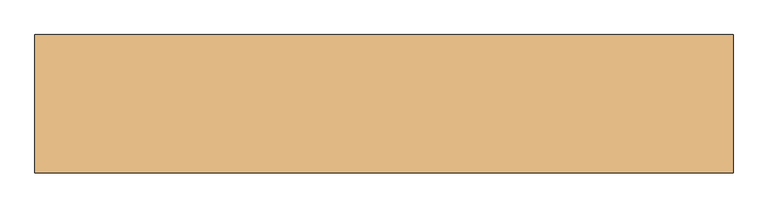
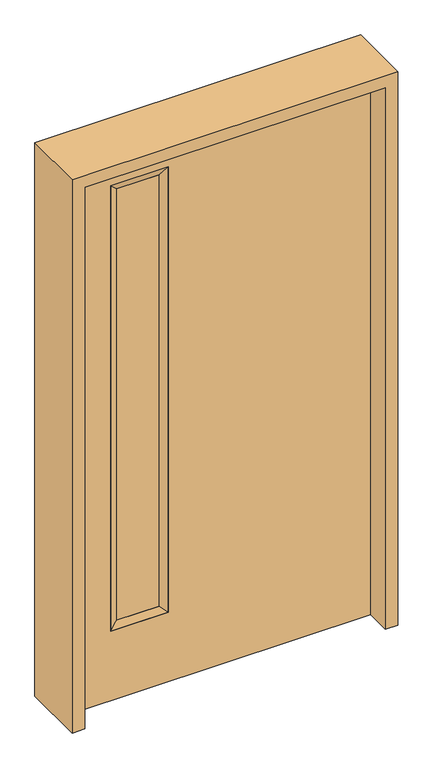
"""IFC4 building model written with IfcOpenShell, lengths in millimetres: door geometry."""

from ifc_helpers import new_model, si_unit, frame, origin, place, context, project, spatial, polyline, outline, extrude, faceted_brep, source, transform, mapped, element, save


def door_2749c83e(model_context):
    return source(origin(), model_context, "Body", "SolidModel", [
        faceted_brep([(-184.15, 22.225, 1930.4), (-184.15, -22.225, 1930.4), (-184.15, -22.225, 260.35), (-184.15, 22.225, 260.35), (-209.55, -12.7039749, 1905.0), (-209.55, -12.7039749, 285.75), (-387.35, -22.225, 260.35), (-387.35, 22.225, 260.35), (-209.55, 14.2875, 1905.0), (-209.55, 14.2875, 285.75), (-361.95, 14.2875, 285.75), (-361.95, -12.7039749, 285.75), (-387.35, -22.225, 1930.4), (-387.35, 22.225, 1930.4), (-361.95, 14.2875, 1905.0), (-361.95, -12.7039749, 1905.0)], [[[0, 1, 2, 3]], [[1, 4, 5, 2]], [[3, 2, 6, 7]], [[8, 0, 3, 9]], [[4, 8, 9, 5]], [[5, 9, 10, 11]], [[2, 5, 11, 6]], [[7, 6, 12, 13]], [[9, 3, 7, 10]], [[11, 10, 14, 15]], [[6, 11, 15, 12]], [[10, 7, 13, 14]], [[13, 12, 1, 0]], [[15, 14, 8, 4]], [[12, 15, 4, 1]], [[14, 13, 0, 8]]]),
        extrude(outline(polyline([(2032.0, -533.4), (0.0, -533.4), (0.0, 533.4), (2032.0, 533.4), (2032.0, -533.4)]), holes=[polyline([(1930.4, -184.15), (260.35, -184.15), (260.35, -387.35), (1930.4, -387.35), (1930.4, -184.15)])]), frame((0.0, -22.225, 0.0), z_axis=(0.0, 1.0, 0.0), x_axis=(0.0, 0.0, 1.0)), (0.0, 0.0, 1.0), 44.45),
        extrude(outline(polyline([(-209.55, -12.7039749), (-361.95, -12.7039749), (-361.95, 14.2875), (-209.55, 14.2875), (-209.55, -12.7039749)])), frame((0.0, 0.0, 285.75), z_axis=(0.0, 0.0, 1.0), x_axis=(1.0, 0.0, 0.0)), (0.0, 0.0, 1.0), 1619.25),
        extrude(outline(polyline([(0.0, 533.4), (0.0, 577.85), (2076.45, 577.85), (2076.45, -577.85), (0.0, -577.85), (0.0, -533.4), (2032.0, -533.4), (2032.0, 533.4), (0.0, 533.4)])), frame((0.0, -114.3, 0.0), z_axis=(0.0, 1.0, 0.0), x_axis=(0.0, 0.0, 1.0)), (0.0, 0.0, 1.0), 228.6),
    ])


if __name__ == "__main__":
    model = new_model("IFC4")
    model_context = context("Model", 3, world=origin())
    ifc_project = project(units=[si_unit("LENGTHUNIT", "METRE", prefix="MILLI")], contexts=[model_context])
    site = spatial("IfcSite", under=ifc_project)
    building = spatial("IfcBuilding", under=site)
    placement = place(None, origin())
    door_shape = door_2749c83e(model_context)
    element("IfcDoor", 1, at=placement, inside=building, context=model_context, shape_type="MappedRepresentation", body=[
        mapped(door_shape, transform((0.0, 0.0, 0.0), x_axis=(1.0, 0.0, 0.0), y_axis=(0.0, 1.0, 0.0), z_axis=(0.0, 0.0, 1.0))),
    ])
    save(model, "model.ifc")
